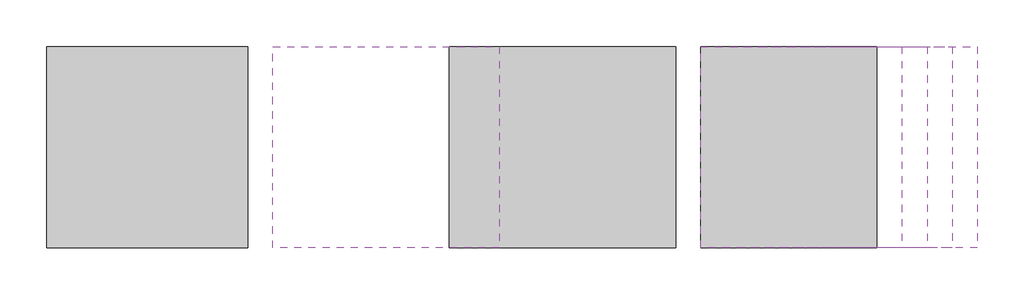
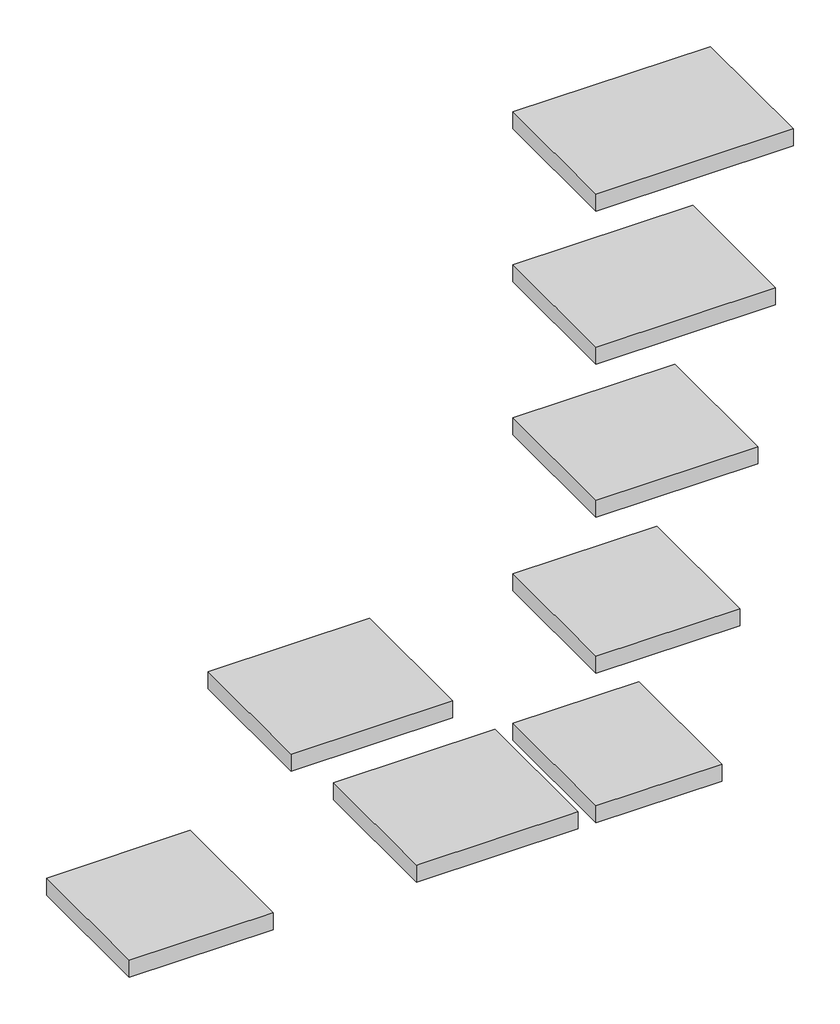
# One storey: 8 proxies.
"""IFC4 building model written with IfcOpenShell, lengths in millimetres."""

import ifcopenshell
import ifcopenshell.guid

model = None  # the IFC model being written
_history = None  # IfcOwnerHistory: only IFC2X3 demands one
_inside = {}  # id of a spatial element -> (the spatial element, [elements in it])
_under = {}  # id of a project, library or spatial element -> (it, [spatial elements below it])
_declared = {}  # id of a project -> (the project, [libraries it declares])
_typed = {}  # id of a type object -> (the type object, [elements of that type])
_made_of = {}  # id of a material, layer set ... -> (it, [elements and type objects made of it])


def new_model(schema):
    """Start an empty IFC model of exactly this schema.

    Asked for "IFC4X3", IfcOpenShell would pick the latest addendum, in which some entities
    have other attributes; the version numbers below select the first issue.
    IFC2X3 requires an IfcOwnerHistory on every rooted entity: one is made here for all.
    """
    global model, _history
    if schema == "IFC4X3":
        model = ifcopenshell.file(schema_version=(4, 3, 0, 0))
    else:
        model = ifcopenshell.file(schema=schema)
    _inside.clear()
    _under.clear()
    _declared.clear()
    _typed.clear()
    _made_of.clear()
    _history = None
    if model.schema == "IFC2X3":
        org = make("IfcOrganization", Name="unknown")
        user = make(
            "IfcPersonAndOrganization",
            ThePerson=make("IfcPerson", FamilyName="unknown"),
            TheOrganization=org,
        )
        app = make(
            "IfcApplication",
            ApplicationDeveloper=org,
            Version="unknown",
            ApplicationFullName="unknown",
            ApplicationIdentifier="unknown",
        )
        _history = make(
            "IfcOwnerHistory",
            OwningUser=user,
            OwningApplication=app,
            ChangeAction="ADDED",
            CreationDate=0,
        )
    return model


def make(cls, **values):
    """One entity of the class cls with the attributes given. An attribute that is None is left unset."""
    return model.create_entity(
        cls, **{name: value for name, value in values.items() if value is not None}
    )


def rooted(cls, **values):
    """An entity with a GlobalId (a new one), such as an element, a storey or a relation."""
    return make(cls, GlobalId=ifcopenshell.guid.new(), OwnerHistory=_history, **values)


def si_unit(unit_type, name, prefix=None):
    """IfcSIUnit, for example si_unit("LENGTHUNIT", "METRE", prefix="MILLI")."""
    return make("IfcSIUnit", UnitType=unit_type, Prefix=prefix, Name=name)


def assignment(units):
    """IfcUnitAssignment: the units of a project."""
    return None if units is None else make("IfcUnitAssignment", Units=units)


def point(xyz):
    """IfcCartesianPoint."""
    return None if xyz is None else make("IfcCartesianPoint", Coordinates=xyz)


def direction(xyz):
    """IfcDirection."""
    return None if xyz is None else make("IfcDirection", DirectionRatios=xyz)


def frame(location, z_axis=None, x_axis=None):
    """IfcAxis2Placement3D, a coordinate frame: its origin and axes. An axis left out is left unset."""
    return make(
        "IfcAxis2Placement3D",
        Location=point(location),
        Axis=direction(z_axis),
        RefDirection=direction(x_axis),
    )


def origin():
    """The frame at (0, 0, 0) with its axes left unset."""
    return frame((0.0, 0.0, 0.0))


def origin_with_axes():
    """The frame at (0, 0, 0) with the z axis (0, 0, 1) and the x axis (1, 0, 0) written out."""
    return frame((0.0, 0.0, 0.0), z_axis=(0.0, 0.0, 1.0), x_axis=(1.0, 0.0, 0.0))


def place(relative_to, where):
    """IfcLocalPlacement: puts the frame where relative to a parent placement (None: the world)."""
    return make(
        "IfcLocalPlacement", PlacementRelTo=relative_to, RelativePlacement=where
    )


def context(
    kind, dimensions, precision=None, world=None, true_north=None, identifier=None
):
    """IfcGeometricRepresentationContext, for example the 3D "Model" context."""
    return make(
        "IfcGeometricRepresentationContext",
        ContextIdentifier=identifier,
        ContextType=kind,
        CoordinateSpaceDimension=dimensions,
        Precision=precision,
        WorldCoordinateSystem=world,
        TrueNorth=true_north,
    )


def project(units=None, contexts=None):
    """IfcProject with its units and contexts."""
    return rooted(
        "IfcProject",
        Name="project",
        RepresentationContexts=contexts,
        UnitsInContext=assignment(units),
    )


def spatial(cls, under=None, at=None, **own):
    """A site, building, storey or space (cls), placed at a placement, below another one or the project."""
    s = rooted(cls, ObjectPlacement=at, **own)
    if under is not None:
        _under.setdefault(under.id(), (under, []))[1].append(s)
    return s


def polyline(points):
    """IfcPolyline through the points."""
    return make("IfcPolyline", Points=[point(p) for p in points])


def outline(outer, holes=None, kind="AREA"):
    """IfcArbitraryClosedProfileDef: a profile drawn as a closed curve; with holes, ...WithVoids."""
    if holes is None:
        return make("IfcArbitraryClosedProfileDef", ProfileType=kind, OuterCurve=outer)
    return make(
        "IfcArbitraryProfileDefWithVoids",
        ProfileType=kind,
        OuterCurve=outer,
        InnerCurves=holes,
    )


def extrude(swept, where, along, depth):
    """IfcExtrudedAreaSolid: the profile swept, set in the frame where, extruded along a direction by depth."""
    return make(
        "IfcExtrudedAreaSolid",
        SweptArea=swept,
        Position=where,
        ExtrudedDirection=direction(along),
        Depth=depth,
    )


def shape(context_of_items, identifier, shape_type, items):
    """IfcShapeRepresentation: the items that make up one representation, for example the "Body"."""
    return make(
        "IfcShapeRepresentation",
        ContextOfItems=context_of_items,
        RepresentationIdentifier=identifier,
        RepresentationType=shape_type,
        Items=items,
    )


def source(mapping_origin, context_of_items, identifier, shape_type, items):
    """IfcRepresentationMap: a shape defined once, which mapped items show again and again."""
    return make(
        "IfcRepresentationMap",
        MappingOrigin=mapping_origin,
        MappedRepresentation=shape(context_of_items, identifier, shape_type, items),
    )


def transform(
    local_origin,
    x_axis=None,
    y_axis=None,
    z_axis=None,
    scale=None,
    scale2=None,
    scale3=None,
    uniform=True,
):
    """IfcCartesianTransformationOperator3D, or its non-uniform kind. x_axis, y_axis, z_axis: its Axis1, 2, 3."""
    if uniform:
        return make(
            "IfcCartesianTransformationOperator3D",
            Axis1=direction(x_axis),
            Axis2=direction(y_axis),
            LocalOrigin=point(local_origin),
            Scale=scale,
            Axis3=direction(z_axis),
        )
    return make(
        "IfcCartesianTransformationOperator3DnonUniform",
        Axis1=direction(x_axis),
        Axis2=direction(y_axis),
        LocalOrigin=point(local_origin),
        Scale=scale,
        Axis3=direction(z_axis),
        Scale2=scale2,
        Scale3=scale3,
    )


def mapped(mapping_source, mapping_target):
    """IfcMappedItem: shows the shape of a source again, moved by a transform."""
    return make(
        "IfcMappedItem", MappingSource=mapping_source, MappingTarget=mapping_target
    )


def made_of(thing, what):
    """Note that an element or type object is made of a material, layer set ...; save() writes the relation."""
    if what is not None:
        _made_of.setdefault(what.id(), (what, []))[1].append(thing)
    return thing


def element(
    cls,
    number,
    at=None,
    inside=None,
    cuts=None,
    type_object=None,
    material=None,
    context=None,
    identifier="Body",
    shape_type=None,
    held_by="IfcProductDefinitionShape",
    body=None,
    shapes=None,
    **own,
):
    """One element of the class cls, such as IfcWall. Its Tag is "e" and its number.

    at: its placement. inside: the storey or other place that contains it. cuts: it is an
    opening in that element (IfcRelVoidsElement). A single representation is given by context,
    identifier, shape_type and body (its items); several are given by shapes. held_by: the class
    of the entity that holds the representations. save() writes the other relations.
    """
    e = rooted(cls, Tag="e%d" % number, ObjectPlacement=at, **own)
    if body is not None:
        shapes = [shape(context, identifier, shape_type, body)]
    if shapes is not None:
        e.Representation = make(held_by, Representations=shapes)
    if inside is not None:
        _inside.setdefault(inside.id(), (inside, []))[1].append(e)
    if cuts is not None:
        rooted(
            "IfcRelVoidsElement", RelatingBuildingElement=cuts, RelatedOpeningElement=e
        )
    if type_object is not None:
        _typed.setdefault(type_object.id(), (type_object, []))[1].append(e)
    return made_of(e, material)


def aggregate(whole, parts):
    """IfcRelAggregates: a whole, such as a stair, and the parts it consists of."""
    return rooted("IfcRelAggregates", RelatingObject=whole, RelatedObjects=parts)


def save(model, path):
    """Write the relations noted so far, then the file.

    IfcRelAggregates (storeys below a building ...), IfcRelContainedInSpatialStructure (elements
    in a storey), IfcRelDefinesByType, IfcRelAssociatesMaterial and IfcRelDeclares: one each for
    every whole, place, type object, material and project.
    """
    for whole, parts in _under.values():
        aggregate(whole, parts)
    for where, things in _inside.values():
        rooted(
            "IfcRelContainedInSpatialStructure",
            RelatedElements=things,
            RelatingStructure=where,
        )
    for kind, things in _typed.values():
        rooted("IfcRelDefinesByType", RelatedObjects=things, RelatingType=kind)
    for what, things in _made_of.values():
        rooted("IfcRelAssociatesMaterial", RelatedObjects=things, RelatingMaterial=what)
    for by, libraries in _declared.values():
        rooted("IfcRelDeclares", RelatingContext=by, RelatedDefinitions=libraries)
    model.write(path)


def generic_models_e0bd54a0(model_context):
    return source(origin(), model_context, "Body", "SweptSolid", [
        extrude(outline(polyline([(0.0, 400.0), (450.0, 400.0), (450.0, 0.0), (0.0, 0.0), (0.0, 400.0)])), origin_with_axes(), (0.0, 0.0, 1.0), 50.0),
    ])


def generic_models_2d95e52a(model_context):
    return source(origin(), model_context, "Body", "SweptSolid", [
        extrude(outline(polyline([(0.0, 400.0), (400.0, 400.0), (400.0, 0.0), (0.0, 0.0), (0.0, 400.0)])), origin_with_axes(), (0.0, 0.0, 1.0), 50.0),
    ])


def generic_models_320df40f(model_context):
    return source(origin(), model_context, "Body", "SweptSolid", [
        extrude(outline(polyline([(0.0, 400.0), (550.0, 400.0), (550.0, 0.0), (0.0, 0.0), (0.0, 400.0)])), origin_with_axes(), (0.0, 0.0, 1.0), 50.0),
    ])


def generic_models_c7ad99b4(model_context):
    return source(origin(), model_context, "Body", "SweptSolid", [
        extrude(outline(polyline([(0.0, 400.0), (500.0, 400.0), (500.0, 0.0), (0.0, 0.0), (0.0, 400.0)])), origin_with_axes(), (0.0, 0.0, 1.0), 50.0),
    ])


def generic_models_04638928(model_context):
    return source(origin(), model_context, "Body", "SweptSolid", [
        extrude(outline(polyline([(0.0, 400.0), (350.0, 400.0), (350.0, 0.0), (0.0, 0.0), (0.0, 400.0)])), origin_with_axes(), (0.0, 0.0, 1.0), 50.0),
    ])


model = new_model("IFC4")

# Units and contexts
model_context = context("Model", 3, world=origin())
ifc_project = project(units=[si_unit("LENGTHUNIT", "METRE", prefix="MILLI")], contexts=[model_context])

# Site, building, storey
site = spatial("IfcSite", under=ifc_project)
building = spatial("IfcBuilding", under=site)
storey = spatial("IfcBuildingStorey", under=building, Elevation=-300.0)

# Proxies
placement = place(None, origin())
generic_models_shape = generic_models_e0bd54a0(model_context)
element("IfcBuildingElementProxy", 1, Name="Generic Models", at=placement, inside=storey, context=model_context, shape_type="MappedRepresentation", body=[
    mapped(generic_models_shape, transform((105.7192327, -443.3860965, 950.0), x_axis=(1.0, 0.0, 0.0), y_axis=(0.0, 1.0, 0.0), z_axis=(0.0, 0.0, 1.0))),
])
element("IfcBuildingElementProxy", 2, Name="Generic Models", at=placement, inside=storey, context=model_context, shape_type="MappedRepresentation", body=[
    mapped(generic_models_shape, transform((455.7192327, -443.3860965, 500.0), x_axis=(1.0, 0.0, 0.0), y_axis=(0.0, 1.0, 0.0), z_axis=(0.0, 0.0, 1.0))),
])
element("IfcBuildingElementProxy", 3, Name="Generic Models", at=placement, inside=storey, context=model_context, shape_type="MappedRepresentation", body=[
    mapped(generic_models_shape, transform((955.7192327, -443.3860965, 1400.0), x_axis=(1.0, 0.0, 0.0), y_axis=(0.0, 1.0, 0.0), z_axis=(0.0, 0.0, 1.0))),
])
generic_models_2_shape = generic_models_2d95e52a(model_context)
element("IfcBuildingElementProxy", 4, Name="Generic Models", at=placement, inside=storey, context=model_context, shape_type="MappedRepresentation", body=[
    mapped(generic_models_2_shape, transform((-344.2807673, -443.3860965, 500.0), x_axis=(1.0, 0.0, 0.0), y_axis=(0.0, 1.0, 0.0), z_axis=(0.0, 0.0, 1.0))),
])
element("IfcBuildingElementProxy", 5, Name="Generic Models", at=placement, inside=storey, context=model_context, shape_type="MappedRepresentation", body=[
    mapped(generic_models_2_shape, transform((955.7192327, -443.3860965, 940.0), x_axis=(1.0, 0.0, 0.0), y_axis=(0.0, 1.0, 0.0), z_axis=(0.0, 0.0, 1.0))),
])
generic_models_3_shape = generic_models_320df40f(model_context)
element("IfcBuildingElementProxy", 6, Name="Generic Models", at=placement, inside=storey, context=model_context, shape_type="MappedRepresentation", body=[
    mapped(generic_models_3_shape, transform((955.7192327, -443.3860965, 2300.0), x_axis=(1.0, 0.0, 0.0), y_axis=(0.0, 1.0, 0.0), z_axis=(0.0, 0.0, 1.0))),
])
generic_models_4_shape = generic_models_c7ad99b4(model_context)
element("IfcBuildingElementProxy", 7, Name="Generic Models", at=placement, inside=storey, context=model_context, shape_type="MappedRepresentation", body=[
    mapped(generic_models_4_shape, transform((955.7192327, -443.3860965, 1850.0), x_axis=(1.0, 0.0, 0.0), y_axis=(0.0, 1.0, 0.0), z_axis=(0.0, 0.0, 1.0))),
])
generic_models_5_shape = generic_models_04638928(model_context)
element("IfcBuildingElementProxy", 8, Name="Generic Models", at=placement, inside=storey, context=model_context, shape_type="MappedRepresentation", body=[
    mapped(generic_models_5_shape, transform((955.7192327, -443.3860965, 500.0), x_axis=(1.0, 0.0, 0.0), y_axis=(0.0, 1.0, 0.0), z_axis=(0.0, 0.0, 1.0))),
])

save(model, "model.ifc")
